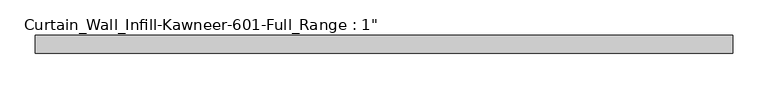
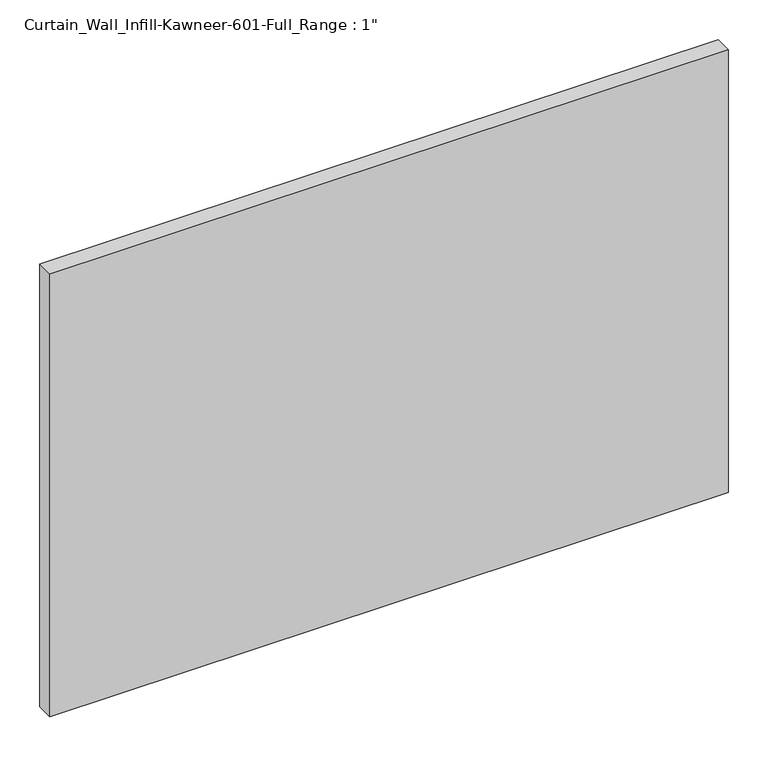
"""IFC4 building model written with IfcOpenShell, lengths in millimetres: plate geometry."""

from ifc_helpers import new_model, si_unit, origin, origin_with_axes, place, context, project, spatial, polyline, outline, extrude, source, transform, mapped, element, save


def plate_ffe69bc5(model_context):
    return source(origin(), model_context, "Body", "SweptSolid", [
        extrude(outline(polyline([(-492.125, -12.7), (-492.125, 12.7), (492.125, 12.7), (492.125, -12.7), (-492.125, -12.7)])), origin_with_axes(), (0.0, 0.0, 1.0), 679.45),
    ])


if __name__ == "__main__":
    model = new_model("IFC4")
    model_context = context("Model", 3, world=origin())
    ifc_project = project(units=[si_unit("LENGTHUNIT", "METRE", prefix="MILLI")], contexts=[model_context])
    site = spatial("IfcSite", under=ifc_project)
    building = spatial("IfcBuilding", under=site)
    placement = place(None, origin())
    plate_shape = plate_ffe69bc5(model_context)
    element("IfcPlate", 1, ObjectType="Curtain_Wall_Infill-Kawneer-601-Full_Range : 1\"", at=placement, inside=building, context=model_context, shape_type="MappedRepresentation", body=[
        mapped(plate_shape, transform((0.0, 0.0, 0.0), x_axis=(1.0, 0.0, 0.0), y_axis=(0.0, 1.0, 0.0), z_axis=(0.0, 0.0, 1.0))),
    ])
    save(model, "model.ifc")
